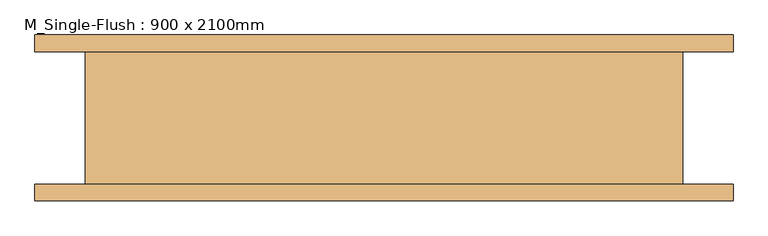
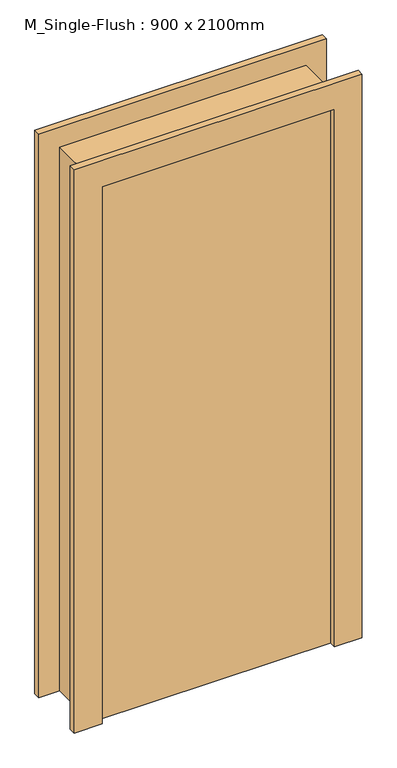
"""IFC4 building model written with IfcOpenShell, lengths in millimetres: door geometry, M_Single-Flush : 900 x 2100mm."""

from ifc_helpers import new_model, si_unit, origin, origin_with_axes, place, context, project, spatial, polyline, outline, extrude, faceted_brep, source, transform, mapped, element, save


def m_single_flush_900_x_2100mm_b8352746(model_context):
    return source(origin(), model_context, "Body", "SolidModel", [
        faceted_brep([(526.0, 125.0, 2176.0), (526.0, 125.0, 0.0), (425.0, 125.0, 0.0), (425.0, 125.0, 2075.0), (-425.0, 125.0, 2075.0), (-425.0, 125.0, 0.0), (-526.0, 125.0, 0.0), (-526.0, 125.0, 2176.0), (526.0, 100.0, 2176.0), (-526.0, 100.0, 2176.0), (-526.0, 100.0, 0.0), (-450.0, 100.0, 0.0), (-450.0, 100.0, 2100.0), (450.0, 100.0, 2100.0), (450.0, 100.0, 0.0), (526.0, 100.0, 0.0), (-425.0, -125.0, 0.0), (-526.0, -125.0, 0.0), (-526.0, -100.0, 0.0), (-450.0, -100.0, 0.0), (450.0, -100.0, 0.0), (526.0, -100.0, 0.0), (526.0, -125.0, 0.0), (425.0, -125.0, 0.0), (526.0, -125.0, 2176.0), (-526.0, -125.0, 2176.0), (-425.0, -125.0, 2075.0), (425.0, -125.0, 2075.0), (-450.0, -100.0, 2100.0), (450.0, -100.0, 2100.0), (-526.0, -100.0, 2176.0), (526.0, -100.0, 2176.0)], [[[0, 1, 2, 3, 4, 5, 6, 7]], [[8, 9, 10, 11, 12, 13, 14, 15]], [[7, 9, 8, 0]], [[6, 10, 9, 7]], [[10, 6, 5, 16, 17, 18, 19, 11]], [[14, 20, 21, 22, 23, 2, 1, 15]], [[0, 8, 15, 1]], [[22, 24, 25, 17, 16, 26, 27, 23]], [[12, 28, 29, 13]], [[11, 19, 28, 12]], [[4, 26, 16, 5]], [[3, 27, 26, 4]], [[2, 23, 27, 3]], [[13, 29, 20, 14]], [[30, 31, 21, 20, 29, 28, 19, 18]], [[24, 31, 30, 25]], [[22, 21, 31, 24]], [[25, 30, 18, 17]]]),
        extrude(outline(polyline([(450.0, -49.0), (450.0, -100.0), (-450.0, -100.0), (-450.0, -49.0), (450.0, -49.0)])), origin_with_axes(), (0.0, 0.0, 1.0), 2100.0),
    ])


if __name__ == "__main__":
    model = new_model("IFC4")
    model_context = context("Model", 3, world=origin())
    ifc_project = project(units=[si_unit("LENGTHUNIT", "METRE", prefix="MILLI")], contexts=[model_context])
    site = spatial("IfcSite", under=ifc_project)
    building = spatial("IfcBuilding", under=site)
    placement = place(None, origin())
    m_single_flush_900_x_2100mm_shape = m_single_flush_900_x_2100mm_b8352746(model_context)
    element("IfcDoor", 1, ObjectType="M_Single-Flush : 900 x 2100mm", at=placement, inside=building, context=model_context, shape_type="MappedRepresentation", body=[
        mapped(m_single_flush_900_x_2100mm_shape, transform((0.0, 0.0, 0.0), x_axis=(1.0, 0.0, 0.0), y_axis=(0.0, 1.0, 0.0), z_axis=(0.0, 0.0, 1.0))),
    ])
    save(model, "model.ifc")
